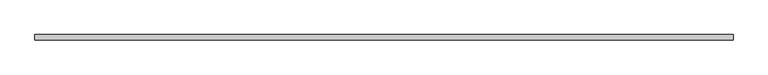
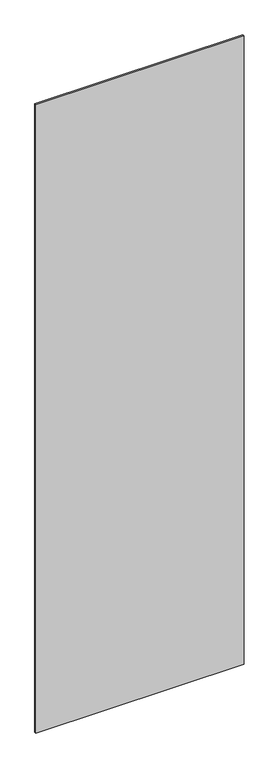
"""IFC4 building model written with IfcOpenShell, lengths in millimetres: plate geometry."""

from ifc_helpers import new_model, si_unit, origin, origin_with_axes, place, context, project, spatial, polyline, outline, extrude, source, transform, mapped, element, save


def plate_c99299e2(model_context):
    return source(origin(), model_context, "Body", "SweptSolid", [
        extrude(outline(polyline([(684.4791183, -5.0), (-684.4791183, -5.0), (-684.4791183, 5.0), (684.4791183, 5.0), (684.4791183, -5.0)])), origin_with_axes(), (0.0, 0.0, 1.0), 4360.0),
    ])


if __name__ == "__main__":
    model = new_model("IFC4")
    model_context = context("Model", 3, world=origin())
    ifc_project = project(units=[si_unit("LENGTHUNIT", "METRE", prefix="MILLI")], contexts=[model_context])
    site = spatial("IfcSite", under=ifc_project)
    building = spatial("IfcBuilding", under=site)
    placement = place(None, origin())
    plate_shape = plate_c99299e2(model_context)
    element("IfcPlate", 1, at=placement, inside=building, context=model_context, shape_type="MappedRepresentation", body=[
        mapped(plate_shape, transform((0.0, 0.0, 0.0), x_axis=(1.0, 0.0, 0.0), y_axis=(0.0, 1.0, 0.0), z_axis=(0.0, 0.0, 1.0))),
    ])
    save(model, "model.ifc")
